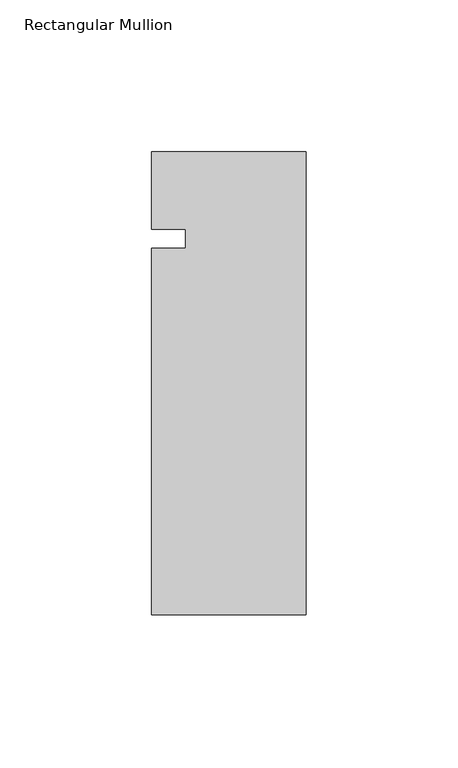
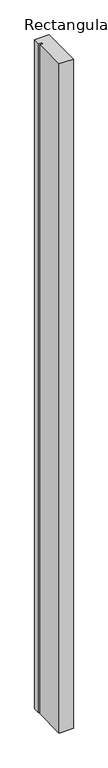
"""IFC4 building model written with IfcOpenShell, lengths in millimetres: member geometry, Rectangular Mullion."""

from ifc_helpers import new_model, si_unit, frame, origin, place, context, project, spatial, polyline, outline, extrude, source, transform, mapped, element, save


def rectangular_mullion_d81289ac(model_context):
    return source(origin(), model_context, "Body", "SweptSolid", [
        extrude(outline(polyline([(-50.8, -31.75), (-39.7002, -31.75), (-39.7002, -25.4), (-50.8, -25.4), (-50.8, 0.0), (0.0, 0.0), (0.0, -152.4), (-50.8, -152.4), (-50.8, -31.75)])), frame((0.0, 0.0, -2540.0), z_axis=(0.0, 0.0, 1.0), x_axis=(1.0, 0.0, 0.0)), (0.0, 0.0, 1.0), 2540.0),
    ])


if __name__ == "__main__":
    model = new_model("IFC4")
    model_context = context("Model", 3, world=origin())
    ifc_project = project(units=[si_unit("LENGTHUNIT", "METRE", prefix="MILLI")], contexts=[model_context])
    site = spatial("IfcSite", under=ifc_project)
    building = spatial("IfcBuilding", under=site)
    placement = place(None, origin())
    rectangular_mullion_shape = rectangular_mullion_d81289ac(model_context)
    element("IfcMember", 1, ObjectType="Rectangular Mullion", at=placement, inside=building, context=model_context, shape_type="MappedRepresentation", body=[
        mapped(rectangular_mullion_shape, transform((0.0, 0.0, 0.0), x_axis=(1.0, 0.0, 0.0), y_axis=(0.0, 1.0, 0.0), z_axis=(0.0, 0.0, 1.0))),
    ])
    save(model, "model.ifc")
